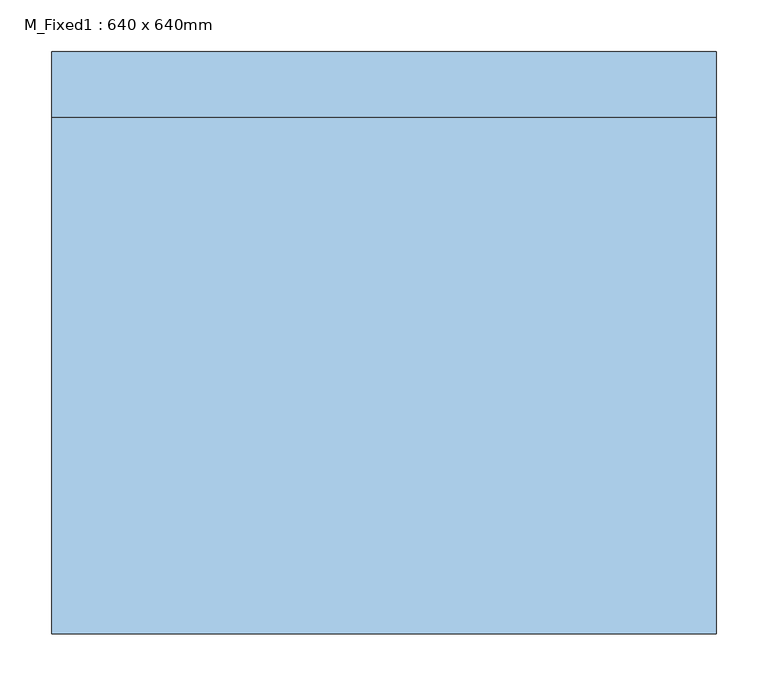
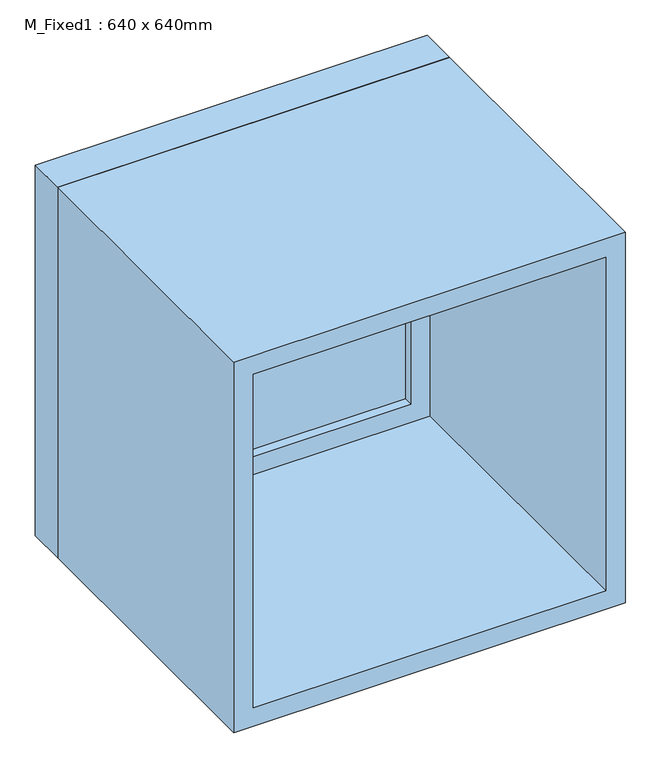
"""IFC4 building model written with IfcOpenShell, lengths in millimetres: window geometry, M_Fixed1 : 640 x 640mm."""

from ifc_helpers import new_model, si_unit, frame, origin, place, context, project, spatial, polyline, outline, extrude, source, transform, mapped, element, save


def m_fixed1_640_x_640mm_aa7cd6ad(model_context):
    return source(origin(), model_context, "Body", "SweptSolid", [
        extrude(outline(polyline([(-257.0, 258.4860654), (257.0, 258.4860654), (257.0, 246.4860654), (-257.0, 246.4860654), (-257.0, 258.4860654)])), frame((0.0, 0.0, 978.0), z_axis=(0.0, 0.0, 1.0), x_axis=(1.0, 0.0, 0.0)), (0.0, 0.0, 1.0), 514.0),
        extrude(outline(polyline([(1536.0, -301.0), (934.0, -301.0), (934.0, 301.0), (1536.0, 301.0), (1536.0, -301.0)]), holes=[polyline([(1492.0, -257.0), (1492.0, 257.0), (978.0, 257.0), (978.0, -257.0), (1492.0, -257.0)])]), frame((0.0, 230.4860654, 0.0), z_axis=(0.0, 1.0, 0.0), x_axis=(0.0, 0.0, 1.0)), (0.0, 0.0, 1.0), 44.0),
        extrude(outline(polyline([(1555.0, -320.0), (915.0, -320.0), (915.0, 320.0), (1555.0, 320.0), (1555.0, -320.0)]), holes=[polyline([(1536.0, -301.0), (1536.0, 301.0), (934.0, 301.0), (934.0, -301.0), (1536.0, -301.0)])]), frame((0.0, 230.4860654, 0.0), z_axis=(0.0, 1.0, 0.0), x_axis=(0.0, 0.0, 1.0)), (0.0, 0.0, 1.0), 63.0),
        extrude(outline(polyline([(1555.0, -320.0), (915.0, -320.0), (915.0, 320.0), (1555.0, 320.0), (1555.0, -320.0)]), holes=[polyline([(1523.0, -288.0), (1523.0, 288.0), (947.0, 288.0), (947.0, -288.0), (1523.0, -288.0)])]), frame((0.0, -267.4860654, 0.0), z_axis=(0.0, 1.0, 0.0), x_axis=(0.0, 0.0, 1.0)), (0.0, 0.0, 1.0), 497.9721308),
    ])


if __name__ == "__main__":
    model = new_model("IFC4")
    model_context = context("Model", 3, world=origin())
    ifc_project = project(units=[si_unit("LENGTHUNIT", "METRE", prefix="MILLI")], contexts=[model_context])
    site = spatial("IfcSite", under=ifc_project)
    building = spatial("IfcBuilding", under=site)
    placement = place(None, origin())
    m_fixed1_640_x_640mm_shape = m_fixed1_640_x_640mm_aa7cd6ad(model_context)
    element("IfcWindow", 1, ObjectType="M_Fixed1 : 640 x 640mm", at=placement, inside=building, context=model_context, shape_type="MappedRepresentation", body=[
        mapped(m_fixed1_640_x_640mm_shape, transform((0.0, 0.0, 0.0), x_axis=(1.0, 0.0, 0.0), y_axis=(0.0, 1.0, 0.0), z_axis=(0.0, 0.0, 1.0))),
    ])
    save(model, "model.ifc")
